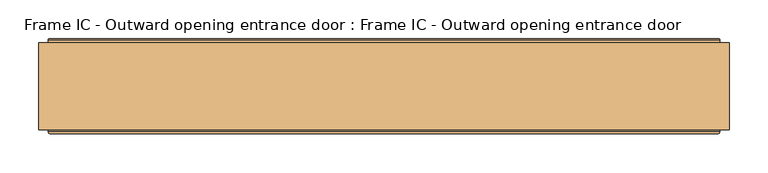
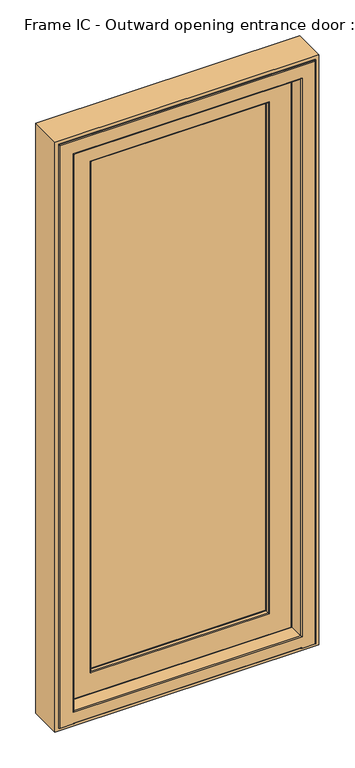
"""IFC4 building model written with IfcOpenShell, lengths in millimetres: door geometry, Frame IC - Outward opening entrance door : Frame IC - Outward opening entrance door."""

from ifc_helpers import new_model, si_unit, frame, origin, place, context, project, spatial, polyline, circle_curve, ellipse_curve, outline, extrude, source, transform, mapped, element, save
from ifc_brep_helpers import plane_surface, cylinder_surface, revolved_surface, advanced_brep


def frame_ic_outward_opening_entrance_door_frame_ic_outward_e52feb58(model_context):
    return source(origin(), model_context, "Body", "SolidModel", [
        advanced_brep(
        [(396.5, 188.6168436, 2052.5), (396.5, 185.5999985, 2052.5), (396.5, 185.5999985, 41.5), (396.5, 188.6168436, 41.5), (398.4927627, 193.0, 2054.4927627), (401.0144747, 190.478288, 2057.0144747), (401.0144747, 190.478288, 36.9855253), (398.4927627, 193.0, 39.5072373), (299.8249234, 191.5847434, 1955.8249234), (301.7375329, 193.0, 1957.7375329), (301.7375329, 193.0, 136.2624671), (299.8249234, 191.5847434, 138.1750766), (296.9926597, 182.3208261, 1952.9926597), (296.9926597, 182.3208261, 141.0073403), (296.9926597, 181.0, 1952.9926597), (296.9926597, 181.0, 141.0073403), (315.3670018, 133.0, 1971.3670018), (321.2606608, 181.0, 1977.2606608), (321.2606608, 181.0, 116.7393392), (315.3670018, 133.0, 122.6329982), (297.0, 130.0, 1953.0), (297.0, 133.0, 1953.0), (297.0, 133.0, 141.0), (297.0, 130.0, 141.0), (297.0218525, 128.7920883, 1953.0218525), (298.0000001, 130.0, 1954.0000001), (298.0000001, 130.0, 139.9999999), (297.0218525, 128.7920883, 140.9781475), (298.8106909, 120.376265, 1954.8106909), (298.8106909, 120.376265, 139.1893091), (301.7451337, 118.0, 1957.7451337), (301.7451337, 118.0, 136.2548663), (377.5618051, 119.7562613, 2033.5618051), (375.5767128, 118.0, 2031.5767128), (375.5767128, 118.0, 62.4232872), (377.5618051, 119.7562613, 60.4381949), (379.5562854, 136.0, 2035.5562854), (379.5562854, 136.0, 58.4437146), (391.0, 185.5999985, 2047.0), (391.0, 136.0, 2047.0), (391.0, 136.0, 47.0), (391.0, 185.5999985, 47.0), (-396.5, 185.5999985, 41.5), (-396.5, 188.6168436, 41.5), (-401.0144747, 190.478288, 36.9855253), (-398.4927627, 193.0, 39.5072373), (-301.7375329, 193.0, 136.2624671), (-299.8249234, 191.5847434, 138.1750766), (-296.9926597, 182.3208261, 141.0073403), (-296.9926597, 181.0, 141.0073403), (-321.2606608, 181.0, 116.7393392), (-315.3670018, 133.0, 122.6329982), (-297.0, 133.0, 141.0), (-297.0, 130.0, 141.0), (-298.0000001, 130.0, 139.9999999), (-297.0218525, 128.7920883, 140.9781475), (-298.8106909, 120.376265, 139.1893091), (-301.7451337, 118.0, 136.2548663), (-375.5767128, 118.0, 62.4232872), (-377.5618051, 119.7562613, 60.4381949), (-379.5562854, 136.0, 58.4437146), (-391.0, 136.0, 47.0), (-391.0, 185.5999985, 47.0), (-396.5, 185.5999985, 2052.5), (-396.5, 188.6168436, 2052.5), (-401.0144747, 190.478288, 2057.0144747), (-398.4927627, 193.0, 2054.4927627), (-301.7375329, 193.0, 1957.7375329), (-299.8249234, 191.5847434, 1955.8249234), (-296.9926597, 182.3208261, 1952.9926597), (-296.9926597, 181.0, 1952.9926597), (-321.2606608, 181.0, 1977.2606608), (-315.3670018, 133.0, 1971.3670018), (-297.0, 133.0, 1953.0), (-297.0, 130.0, 1953.0), (-298.0000001, 130.0, 1954.0000001), (-297.0218525, 128.7920883, 1953.0218525), (-298.8106909, 120.376265, 1954.8106909), (-301.7451337, 118.0, 1957.7451337), (-375.5767128, 118.0, 2031.5767128), (-377.5618051, 119.7562613, 2033.5618051), (-379.5562854, 136.0, 2035.5562854), (-391.0, 136.0, 2047.0), (-391.0, 185.5999985, 2047.0), (406.1997151, 189.6865589, 31.8002849), (-406.1997151, 189.6865589, 31.8002849), (-406.1997151, 189.6865589, 2062.1997151), (406.1997151, 189.6865589, 2062.1997151), (401.0144747, 189.6865589, 2057.0144747), (-401.0144747, 189.6865589, 2057.0144747), (-401.0144747, 189.6865589, 36.9855253), (401.0144747, 189.6865589, 36.9855253), (307.0358984, 193.0, 130.9641016), (-307.0358984, 193.0, 130.9641016), (-307.0358984, 193.0, 1963.0358984), (307.0358984, 193.0, 1963.0358984), (406.1997151, 188.6168436, 2062.1997151), (406.1997151, 188.6168436, 31.8002849), (-406.1997151, 188.6168436, 31.8002849), (-406.1997151, 188.6168436, 2062.1997151), (312.6650635, 192.25, 1968.6650635), (313.9641016, 193.0, 1969.9641016), (313.9641016, 193.0, 124.0358984), (312.6650635, 192.25, 125.3349365), (308.3349365, 192.25, 1964.3349365), (308.3349365, 192.25, 129.6650635), (-313.9641016, 193.0, 124.0358984), (-312.6650635, 192.25, 125.3349365), (-308.3349365, 192.25, 129.6650635), (-313.9641016, 193.0, 1969.9641016), (-312.6650635, 192.25, 1968.6650635), (-308.3349365, 192.25, 1964.3349365)],
        [
            (0, 1),
            (1, 2),
            (2, 3),
            (3, 0),
            (4, 5, ellipse_curve(frame((398.4927627, 190.478288, 2054.4927627), z_axis=(0.7071067811865475, 0.0, -0.7071067811865475), x_axis=(0.7071067811865474, 0.0, 0.7071067811865476)), 3.5662393, 2.521712)),
            (5, 6),
            (6, 7, ellipse_curve(frame((398.4927627, 190.478288, 39.5072373), z_axis=(0.7071067811865475, 0.0, 0.7071067811865475), x_axis=(-0.7071067811865474, 0.0, 0.7071067811865476)), 3.5662393, 2.521712)),
            (7, 4),
            (8, 9, ellipse_curve(frame((301.7375329, 191.0, 1957.7375329), z_axis=(0.7071067811865475, 0.0, -0.7071067811865475), x_axis=(0.7071067811865474, 0.0, 0.7071067811865476)), 2.8284271, 2.0)),
            (9, 10),
            (10, 11, ellipse_curve(frame((301.7375329, 191.0, 136.2624671), z_axis=(0.7071067811865475, 0.0, 0.7071067811865475), x_axis=(-0.7071067811865474, 0.0, 0.7071067811865476)), 2.8284271, 2.0)),
            (11, 8),
            (12, 8),
            (11, 13),
            (13, 12),
            (14, 12),
            (13, 15),
            (15, 14),
            (16, 17),
            (17, 18),
            (18, 19),
            (19, 16),
            (20, 21),
            (21, 22),
            (22, 23),
            (23, 20),
            (24, 25, ellipse_curve(frame((298.0000001, 129.0, 1954.0000001), z_axis=(0.7071067811865475, 0.0, -0.7071067811865475), x_axis=(0.7071067811865474, 0.0, 0.7071067811865476)), 1.4142136, 1.0)),
            (25, 26),
            (26, 27, ellipse_curve(frame((298.0000001, 129.0, 139.9999999), z_axis=(0.7071067811865475, 0.0, 0.7071067811865475), x_axis=(-0.7071067811865474, 0.0, 0.7071067811865476)), 1.4142136, 1.0)),
            (27, 24),
            (28, 24),
            (27, 29),
            (29, 28),
            (30, 28, ellipse_curve(frame((301.7451337, 121.0, 1957.7451337), z_axis=(0.7071067811865475, 0.0, -0.7071067811865475), x_axis=(0.7071067811865474, 0.0, 0.7071067811865476)), 4.2426407, 3.0)),
            (29, 31, ellipse_curve(frame((301.7451337, 121.0, 136.2548663), z_axis=(0.7071067811865475, 0.0, 0.7071067811865475), x_axis=(-0.7071067811865474, 0.0, 0.7071067811865476)), 4.2426407, 3.0)),
            (31, 30),
            (32, 33, ellipse_curve(frame((375.5767128, 120.0, 2031.5767128), z_axis=(0.7071067811865475, 0.0, -0.7071067811865475), x_axis=(0.7071067811865474, 0.0, 0.7071067811865476)), 2.8284271, 2.0)),
            (33, 34),
            (34, 35, ellipse_curve(frame((375.5767128, 120.0, 62.4232872), z_axis=(0.7071067811865475, 0.0, 0.7071067811865475), x_axis=(-0.7071067811865474, 0.0, 0.7071067811865476)), 2.8284271, 2.0)),
            (35, 32),
            (36, 32),
            (35, 37),
            (37, 36),
            (38, 39),
            (39, 40),
            (40, 41),
            (41, 38),
            (2, 42),
            (42, 43),
            (43, 3),
            (6, 44),
            (44, 45, ellipse_curve(frame((-398.4927627, 190.478288, 39.5072373), z_axis=(0.7071067811865475, 0.0, -0.7071067811865475), x_axis=(0.7071067811865476, 0.0, 0.7071067811865474)), 3.5662393, 2.521712)),
            (45, 7),
            (10, 46),
            (46, 47, ellipse_curve(frame((-301.7375329, 191.0, 136.2624671), z_axis=(0.7071067811865475, 0.0, -0.7071067811865475), x_axis=(0.7071067811865476, 0.0, 0.7071067811865474)), 2.8284271, 2.0)),
            (47, 11),
            (47, 48),
            (48, 13),
            (48, 49),
            (49, 15),
            (18, 50),
            (50, 51),
            (51, 19),
            (22, 52),
            (52, 53),
            (53, 23),
            (26, 54),
            (54, 55, ellipse_curve(frame((-298.0000001, 129.0, 139.9999999), z_axis=(0.7071067811865475, 0.0, -0.7071067811865475), x_axis=(0.7071067811865476, 0.0, 0.7071067811865474)), 1.4142136, 1.0)),
            (55, 27),
            (55, 56),
            (56, 29),
            (56, 57, ellipse_curve(frame((-301.7451337, 121.0, 136.2548663), z_axis=(0.7071067811865475, 0.0, -0.7071067811865475), x_axis=(0.7071067811865476, 0.0, 0.7071067811865474)), 4.2426407, 3.0)),
            (57, 31),
            (34, 58),
            (58, 59, ellipse_curve(frame((-375.5767128, 120.0, 62.4232872), z_axis=(0.7071067811865475, 0.0, -0.7071067811865475), x_axis=(0.7071067811865476, 0.0, 0.7071067811865474)), 2.8284271, 2.0)),
            (59, 35),
            (59, 60),
            (60, 37),
            (40, 61),
            (61, 62),
            (62, 41),
            (42, 63),
            (63, 64),
            (64, 43),
            (44, 65),
            (65, 66, ellipse_curve(frame((-398.4927627, 190.478288, 2054.4927627), z_axis=(-0.7071067811865475, 0.0, -0.7071067811865475), x_axis=(0.7071067811865474, 0.0, -0.7071067811865476)), 3.5662393, 2.521712)),
            (66, 45),
            (46, 67),
            (67, 68, ellipse_curve(frame((-301.7375329, 191.0, 1957.7375329), z_axis=(-0.7071067811865475, 0.0, -0.7071067811865475), x_axis=(0.7071067811865474, 0.0, -0.7071067811865476)), 2.8284271, 2.0)),
            (68, 47),
            (68, 69),
            (69, 48),
            (69, 70),
            (70, 49),
            (50, 71),
            (71, 72),
            (72, 51),
            (52, 73),
            (73, 74),
            (74, 53),
            (54, 75),
            (75, 76, ellipse_curve(frame((-298.0000001, 129.0, 1954.0000001), z_axis=(-0.7071067811865475, 0.0, -0.7071067811865475), x_axis=(0.7071067811865474, 0.0, -0.7071067811865476)), 1.4142136, 1.0)),
            (76, 55),
            (76, 77),
            (77, 56),
            (77, 78, ellipse_curve(frame((-301.7451337, 121.0, 1957.7451337), z_axis=(-0.7071067811865475, 0.0, -0.7071067811865475), x_axis=(0.7071067811865474, 0.0, -0.7071067811865476)), 4.2426407, 3.0)),
            (78, 57),
            (58, 79),
            (79, 80, ellipse_curve(frame((-375.5767128, 120.0, 2031.5767128), z_axis=(-0.7071067811865475, 0.0, -0.7071067811865475), x_axis=(0.7071067811865474, 0.0, -0.7071067811865476)), 2.8284271, 2.0)),
            (80, 59),
            (80, 81),
            (81, 60),
            (61, 82),
            (82, 83),
            (83, 62),
            (1, 63),
            (83, 38),
            (0, 64),
            (84, 85),
            (85, 86),
            (86, 87),
            (87, 84),
            (88, 89),
            (89, 90),
            (90, 91),
            (91, 88),
            (65, 5),
            (4, 66),
            (92, 93),
            (93, 94),
            (94, 95),
            (95, 92),
            (9, 67),
            (8, 68),
            (12, 69),
            (14, 70),
            (17, 71),
            (16, 72),
            (21, 73),
            (20, 74),
            (25, 75),
            (24, 76),
            (28, 77),
            (30, 78),
            (33, 79),
            (32, 80),
            (36, 81),
            (39, 82),
            (87, 96),
            (96, 97),
            (97, 84),
            (5, 88),
            (91, 6),
            (97, 98),
            (98, 85),
            (90, 44),
            (98, 99),
            (99, 86),
            (89, 65),
            (96, 99),
            (100, 101, ellipse_curve(frame((313.9641016, 191.5, 1969.9641016), z_axis=(0.7071067811865475, 0.0, -0.7071067811865475), x_axis=(0.7071067811865474, 0.0, 0.7071067811865476)), 2.1213203, 1.5)),
            (101, 102),
            (102, 103, ellipse_curve(frame((313.9641016, 191.5, 124.0358984), z_axis=(0.7071067811865475, 0.0, 0.7071067811865475), x_axis=(-0.7071067811865474, 0.0, 0.7071067811865476)), 2.1213203, 1.5)),
            (103, 100),
            (104, 100, ellipse_curve(frame((310.5, 193.5, 1966.5), z_axis=(-0.7071067811865475, 0.0, 0.7071067811865475), x_axis=(-0.7071067811865474, 0.0, -0.7071067811865476)), 3.5355339, 2.5)),
            (103, 105, ellipse_curve(frame((310.5, 193.5, 127.5), z_axis=(-0.7071067811865475, 0.0, -0.7071067811865475), x_axis=(0.7071067811865474, 0.0, -0.7071067811865476)), 3.5355339, 2.5)),
            (105, 104),
            (95, 104, ellipse_curve(frame((307.0358984, 191.5, 1963.0358984), z_axis=(0.7071067811865475, 0.0, -0.7071067811865475), x_axis=(0.7071067811865474, 0.0, 0.7071067811865476)), 2.1213203, 1.5)),
            (105, 92, ellipse_curve(frame((307.0358984, 191.5, 130.9641016), z_axis=(0.7071067811865475, 0.0, 0.7071067811865475), x_axis=(-0.7071067811865474, 0.0, 0.7071067811865476)), 2.1213203, 1.5)),
            (102, 106),
            (106, 107, ellipse_curve(frame((-313.9641016, 191.5, 124.0358984), z_axis=(0.7071067811865475, 0.0, -0.7071067811865475), x_axis=(0.7071067811865476, 0.0, 0.7071067811865474)), 2.1213203, 1.5)),
            (107, 103),
            (107, 108, ellipse_curve(frame((-310.5, 193.5, 127.5), z_axis=(-0.7071067811865475, 0.0, 0.7071067811865475), x_axis=(-0.7071067811865476, 0.0, -0.7071067811865474)), 3.5355339, 2.5)),
            (108, 105),
            (108, 93, ellipse_curve(frame((-307.0358984, 191.5, 130.9641016), z_axis=(0.7071067811865475, 0.0, -0.7071067811865475), x_axis=(0.7071067811865476, 0.0, 0.7071067811865474)), 2.1213203, 1.5)),
            (106, 109),
            (109, 110, ellipse_curve(frame((-313.9641016, 191.5, 1969.9641016), z_axis=(-0.7071067811865475, 0.0, -0.7071067811865475), x_axis=(0.7071067811865474, 0.0, -0.7071067811865476)), 2.1213203, 1.5)),
            (110, 107),
            (110, 111, ellipse_curve(frame((-310.5, 193.5, 1966.5), z_axis=(0.7071067811865475, 0.0, 0.7071067811865475), x_axis=(-0.7071067811865474, 0.0, 0.7071067811865476)), 3.5355339, 2.5)),
            (111, 108),
            (111, 94, ellipse_curve(frame((-307.0358984, 191.5, 1963.0358984), z_axis=(-0.7071067811865475, 0.0, -0.7071067811865475), x_axis=(0.7071067811865474, 0.0, -0.7071067811865476)), 2.1213203, 1.5)),
            (101, 109),
            (100, 110),
            (104, 111),
        ],
        [
            plane_surface(frame((396.5, 185.5999985, 2052.5), z_axis=(1.0, 0.0, 0.0), x_axis=(0.0, 0.0, -1.0))),
            cylinder_surface(frame((398.4927627, 190.478288, 2047.0), z_axis=(0.0, 0.0, 1.0), x_axis=(0.0, -1.0, 0.0)), 2.521712),
            cylinder_surface(frame((301.7375329, 191.0, 2047.0), z_axis=(0.0, 0.0, 1.0), x_axis=(0.0, -1.0, 0.0)), 2.0),
            plane_surface(frame((299.8249234, 191.5847434, 1955.8249234), z_axis=(-0.9563047559629807, 0.2923717047229163, 0.0), x_axis=(0.0, 0.0, -1.0))),
            plane_surface(frame((296.9926597, 182.3208261, 1952.9926597), z_axis=(-1.0, 0.0, 0.0), x_axis=(0.0, 0.0, -1.0))),
            plane_surface(frame((321.2606608, 181.0, 1977.2606608), z_axis=(-0.9925461516413233, 0.12186934340513725, 0.0), x_axis=(0.0, 0.0, -1.0))),
            plane_surface(frame((297.0, 133.0, 1953.0), z_axis=(-1.0, 0.0, 0.0), x_axis=(0.0, 0.0, -1.0))),
            cylinder_surface(frame((298.0000001, 129.0, 2047.0), z_axis=(0.0, 0.0, 1.0), x_axis=(0.0, -1.0, 0.0)), 1.0),
            plane_surface(frame((297.0218525, 128.7920883, 1953.0218525), z_axis=(-0.9781476042228707, -0.2079116744029983, 0.0), x_axis=(0.0, 0.0, -1.0))),
            cylinder_surface(frame((301.7451337, 121.0, 2047.0), z_axis=(0.0, 0.0, 1.0), x_axis=(0.0, -1.0, 0.0)), 3.0),
            cylinder_surface(frame((375.5767128, 120.0, 2047.0), z_axis=(0.0, 0.0, 1.0), x_axis=(0.0, -1.0, 0.0)), 2.0),
            plane_surface(frame((377.5618051, 119.7562613, 2033.5618051), z_axis=(0.9925461516416141, -0.12186934340276924, 0.0), x_axis=(0.0, 0.0, -1.0))),
            plane_surface(frame((391.0, 136.0, 2047.0), z_axis=(1.0, 0.0, 0.0), x_axis=(0.0, 0.0, -1.0))),
            plane_surface(frame((396.5, 185.5999985, 41.5), z_axis=(0.0, 0.0, -1.0), x_axis=(-1.0, 0.0, 0.0))),
            cylinder_surface(frame((391.0, 190.478288, 39.5072373), z_axis=(1.0, 0.0, 0.0), x_axis=(0.0, -1.0, 0.0)), 2.521712),
            cylinder_surface(frame((391.0, 191.0, 136.2624671), z_axis=(1.0, 0.0, 0.0), x_axis=(0.0, -1.0, 0.0)), 2.0),
            plane_surface(frame((299.8249234, 191.5847434, 138.1750766), z_axis=(0.0, 0.2923717047229163, 0.9563047559629807), x_axis=(-1.0, 0.0, 0.0))),
            plane_surface(frame((296.9926597, 182.3208261, 141.0073403), z_axis=(0.0, 0.0, 1.0), x_axis=(-1.0, 0.0, 0.0))),
            plane_surface(frame((321.2606608, 181.0, 116.7393392), z_axis=(0.0, 0.12186934340513725, 0.9925461516413233), x_axis=(-1.0, 0.0, 0.0))),
            plane_surface(frame((297.0, 133.0, 141.0), z_axis=(0.0, 0.0, 1.0), x_axis=(-1.0, 0.0, 0.0))),
            cylinder_surface(frame((391.0, 129.0, 139.9999999), z_axis=(1.0, 0.0, 0.0), x_axis=(0.0, -1.0, 0.0)), 1.0),
            plane_surface(frame((297.0218525, 128.7920883, 140.9781475), z_axis=(0.0, -0.2079116744029983, 0.9781476042228707), x_axis=(-1.0, 0.0, 0.0))),
            cylinder_surface(frame((391.0, 121.0, 136.2548663), z_axis=(1.0, 0.0, 0.0), x_axis=(0.0, -1.0, 0.0)), 3.0),
            cylinder_surface(frame((391.0, 120.0, 62.4232872), z_axis=(1.0, 0.0, 0.0), x_axis=(0.0, -1.0, 0.0)), 2.0),
            plane_surface(frame((377.5618051, 119.7562613, 60.4381949), z_axis=(0.0, -0.12186934340276924, -0.9925461516416141), x_axis=(-1.0, 0.0, 0.0))),
            plane_surface(frame((391.0, 136.0, 47.0), z_axis=(0.0, 0.0, -1.0), x_axis=(-1.0, 0.0, 0.0))),
            plane_surface(frame((-396.5, 185.5999985, 41.5), z_axis=(-1.0, 0.0, 0.0), x_axis=(0.0, 0.0, 1.0))),
            cylinder_surface(frame((-398.4927627, 190.478288, 47.0), z_axis=(0.0, 0.0, -1.0), x_axis=(0.0, -1.0, 0.0)), 2.521712),
            cylinder_surface(frame((-301.7375329, 191.0, 47.0), z_axis=(0.0, 0.0, -1.0), x_axis=(0.0, -1.0, 0.0)), 2.0),
            plane_surface(frame((-299.8249234, 191.5847434, 138.1750766), z_axis=(0.9563047559629807, 0.2923717047229163, 0.0), x_axis=(0.0, 0.0, 1.0))),
            plane_surface(frame((-296.9926597, 182.3208261, 141.0073403), z_axis=(1.0, 0.0, 0.0), x_axis=(0.0, 0.0, 1.0))),
            plane_surface(frame((-321.2606608, 181.0, 116.7393392), z_axis=(0.9925461516413233, 0.12186934340513725, 0.0), x_axis=(0.0, 0.0, 1.0))),
            plane_surface(frame((-297.0, 133.0, 141.0), z_axis=(1.0, 0.0, 0.0), x_axis=(0.0, 0.0, 1.0))),
            cylinder_surface(frame((-298.0000001, 129.0, 47.0), z_axis=(0.0, 0.0, -1.0), x_axis=(0.0, -1.0, 0.0)), 1.0),
            plane_surface(frame((-297.0218525, 128.7920883, 140.9781475), z_axis=(0.9781476042228707, -0.2079116744029983, 0.0), x_axis=(0.0, 0.0, 1.0))),
            cylinder_surface(frame((-301.7451337, 121.0, 47.0), z_axis=(0.0, 0.0, -1.0), x_axis=(0.0, -1.0, 0.0)), 3.0),
            cylinder_surface(frame((-375.5767128, 120.0, 47.0), z_axis=(0.0, 0.0, -1.0), x_axis=(0.0, -1.0, 0.0)), 2.0),
            plane_surface(frame((-377.5618051, 119.7562613, 60.4381949), z_axis=(-0.9925461516416141, -0.12186934340276924, 0.0), x_axis=(0.0, 0.0, 1.0))),
            plane_surface(frame((-391.0, 136.0, 47.0), z_axis=(-1.0, 0.0, 0.0), x_axis=(0.0, 0.0, 1.0))),
            plane_surface(frame((-391.0, 185.5999985, 2047.0), z_axis=(0.0, -1.0, 0.0), x_axis=(1.0, 0.0, 0.0))),
            plane_surface(frame((-396.5, 185.5999985, 2052.5), z_axis=(0.0, 0.0, 1.0), x_axis=(1.0, 0.0, 0.0))),
            plane_surface(frame((-406.1997151, 189.6865589, 2062.1997151), z_axis=(0.0, 1.0, 0.0), x_axis=(1.0, 0.0, 0.0))),
            cylinder_surface(frame((-391.0, 190.478288, 2054.4927627), z_axis=(-1.0, 0.0, 0.0), x_axis=(0.0, -1.0, 0.0)), 2.521712),
            plane_surface(frame((-307.0358984, 193.0, 1963.0358984), z_axis=(0.0, 1.0, 0.0), x_axis=(1.0, 0.0, 0.0))),
            cylinder_surface(frame((-391.0, 191.0, 1957.7375329), z_axis=(-1.0, 0.0, 0.0), x_axis=(0.0, -1.0, 0.0)), 2.0),
            plane_surface(frame((-299.8249234, 191.5847434, 1955.8249234), z_axis=(0.0, 0.2923717047229163, -0.9563047559629807), x_axis=(1.0, 0.0, 0.0))),
            plane_surface(frame((-296.9926597, 182.3208261, 1952.9926597), z_axis=(0.0, 0.0, -1.0), x_axis=(1.0, 0.0, 0.0))),
            plane_surface(frame((-296.9926597, 181.0, 1952.9926597), z_axis=(0.0, -1.0, 0.0), x_axis=(1.0, 0.0, 0.0))),
            plane_surface(frame((-321.2606608, 181.0, 1977.2606608), z_axis=(0.0, 0.12186934340513725, -0.9925461516413233), x_axis=(1.0, 0.0, 0.0))),
            plane_surface(frame((-315.3670018, 133.0, 1971.3670018), z_axis=(0.0, 1.0, 0.0), x_axis=(1.0, 0.0, 0.0))),
            plane_surface(frame((-297.0, 133.0, 1953.0), z_axis=(0.0, 0.0, -1.0), x_axis=(1.0, 0.0, 0.0))),
            plane_surface(frame((-297.0, 130.0, 1953.0), z_axis=(0.0, -1.0, 0.0), x_axis=(1.0, 0.0, 0.0))),
            cylinder_surface(frame((-391.0, 129.0, 1954.0000001), z_axis=(-1.0, 0.0, 0.0), x_axis=(0.0, -1.0, 0.0)), 1.0),
            plane_surface(frame((-297.0218525, 128.7920883, 1953.0218525), z_axis=(0.0, -0.2079116744029983, -0.9781476042228707), x_axis=(1.0, 0.0, 0.0))),
            cylinder_surface(frame((-391.0, 121.0, 1957.7451337), z_axis=(-1.0, 0.0, 0.0), x_axis=(0.0, -1.0, 0.0)), 3.0),
            plane_surface(frame((-301.7451337, 118.0, 1957.7451337), z_axis=(0.0, -1.0, 0.0), x_axis=(1.0, 0.0, 0.0))),
            cylinder_surface(frame((-391.0, 120.0, 2031.5767128), z_axis=(-1.0, 0.0, 0.0), x_axis=(0.0, -1.0, 0.0)), 2.0),
            plane_surface(frame((-377.5618051, 119.7562613, 2033.5618051), z_axis=(0.0, -0.12186934340276924, 0.9925461516416141), x_axis=(1.0, 0.0, 0.0))),
            plane_surface(frame((-379.5562854, 136.0, 2035.5562854), z_axis=(0.0, -1.0, 0.0), x_axis=(1.0, 0.0, 0.0))),
            plane_surface(frame((-391.0, 136.0, 2047.0), z_axis=(0.0, 0.0, 1.0), x_axis=(1.0, 0.0, 0.0))),
            plane_surface(frame((406.1997151, 188.6168436, 2062.1997151), z_axis=(1.0, 0.0, 0.0), x_axis=(0.0, 0.0, -1.0))),
            plane_surface(frame((401.0144747, 189.6865589, 2057.0144747), z_axis=(1.0, 0.0, 0.0), x_axis=(0.0, 0.0, -1.0))),
            plane_surface(frame((406.1997151, 188.6168436, 31.8002849), z_axis=(0.0, 0.0, -1.0), x_axis=(-1.0, 0.0, 0.0))),
            plane_surface(frame((401.0144747, 189.6865589, 36.9855253), z_axis=(0.0, 0.0, -1.0), x_axis=(-1.0, 0.0, 0.0))),
            plane_surface(frame((-406.1997151, 188.6168436, 31.8002849), z_axis=(-1.0, 0.0, 0.0), x_axis=(0.0, 0.0, 1.0))),
            plane_surface(frame((-401.0144747, 189.6865589, 36.9855253), z_axis=(-1.0, 0.0, 0.0), x_axis=(0.0, 0.0, 1.0))),
            plane_surface(frame((-396.5, 188.6168436, 2052.5), z_axis=(0.0, -1.0, 0.0), x_axis=(1.0, 0.0, 0.0))),
            plane_surface(frame((-406.1997151, 188.6168436, 2062.1997151), z_axis=(0.0, 0.0, 1.0), x_axis=(1.0, 0.0, 0.0))),
            plane_surface(frame((-401.0144747, 189.6865589, 2057.0144747), z_axis=(0.0, 0.0, 1.0), x_axis=(1.0, 0.0, 0.0))),
            cylinder_surface(frame((313.9641016, 191.5, 2047.0), z_axis=(0.0, 0.0, 1.0), x_axis=(0.0, -1.0, 0.0)), 1.5),
            revolved_surface(polyline([(310.5, 191.0, 125.00000000419504), (310.5, 191.0, 1968.999999995805)]), (310.5, 193.5, 2047.0), (0.0, 0.0, -1.0)),
            cylinder_surface(frame((307.0358984, 191.5, 2047.0), z_axis=(0.0, 0.0, 1.0), x_axis=(0.0, -1.0, 0.0)), 1.5),
            cylinder_surface(frame((391.0, 191.5, 124.0358984), z_axis=(1.0, 0.0, 0.0), x_axis=(0.0, -1.0, 0.0)), 1.5),
            revolved_surface(polyline([(-312.99999999580496, 191.0, 127.5), (312.99999999580496, 191.0, 127.5)]), (391.0, 193.5, 127.5), (-1.0, 0.0, 0.0)),
            cylinder_surface(frame((391.0, 191.5, 130.9641016), z_axis=(1.0, 0.0, 0.0), x_axis=(0.0, -1.0, 0.0)), 1.5),
            cylinder_surface(frame((-313.9641016, 191.5, 47.0), z_axis=(0.0, 0.0, -1.0), x_axis=(0.0, -1.0, 0.0)), 1.5),
            revolved_surface(polyline([(-310.5, 191.0, 1968.999999995805), (-310.5, 191.0, 125.00000000419507)]), (-310.5, 193.5, 47.0), (0.0, 0.0, 1.0)),
            cylinder_surface(frame((-307.0358984, 191.5, 47.0), z_axis=(0.0, 0.0, -1.0), x_axis=(0.0, -1.0, 0.0)), 1.5),
            plane_surface(frame((-398.4927627, 193.0, 2054.4927627), z_axis=(0.0, 1.0, 0.0), x_axis=(1.0, 0.0, 0.0))),
            cylinder_surface(frame((-391.0, 191.5, 1969.9641016), z_axis=(-1.0, 0.0, 0.0), x_axis=(0.0, -1.0, 0.0)), 1.5),
            revolved_surface(polyline([(312.99999999580496, 191.0, 1966.5), (-312.99999999580496, 191.0, 1966.5)]), (-391.0, 193.5, 1966.5), (1.0, 0.0, 0.0)),
            cylinder_surface(frame((-391.0, 191.5, 1963.0358984), z_axis=(-1.0, 0.0, 0.0), x_axis=(0.0, -1.0, 0.0)), 1.5),
        ],
        [
            (0, [[1, 2, 3, 4]]),
            (1, [[5, 6, 7, 8]]),
            (2, [[9, 10, 11, 12]]),
            (3, [[13, -12, 14, 15]]),
            (4, [[16, -15, 17, 18]]),
            (5, [[19, 20, 21, 22]]),
            (6, [[23, 24, 25, 26]]),
            (7, [[27, 28, 29, 30]]),
            (8, [[31, -30, 32, 33]]),
            (9, [[34, -33, 35, 36]]),
            (10, [[37, 38, 39, 40]]),
            (11, [[41, -40, 42, 43]]),
            (12, [[44, 45, 46, 47]]),
            (13, [[-3, 48, 49, 50]]),
            (14, [[-7, 51, 52, 53]]),
            (15, [[-11, 54, 55, 56]]),
            (16, [[-14, -56, 57, 58]]),
            (17, [[-17, -58, 59, 60]]),
            (18, [[-21, 61, 62, 63]]),
            (19, [[-25, 64, 65, 66]]),
            (20, [[-29, 67, 68, 69]]),
            (21, [[-32, -69, 70, 71]]),
            (22, [[-35, -71, 72, 73]]),
            (23, [[-39, 74, 75, 76]]),
            (24, [[-42, -76, 77, 78]]),
            (25, [[-46, 79, 80, 81]]),
            (26, [[-49, 82, 83, 84]]),
            (27, [[-52, 85, 86, 87]]),
            (28, [[-55, 88, 89, 90]]),
            (29, [[-57, -90, 91, 92]]),
            (30, [[-59, -92, 93, 94]]),
            (31, [[-62, 95, 96, 97]]),
            (32, [[-65, 98, 99, 100]]),
            (33, [[-68, 101, 102, 103]]),
            (34, [[-70, -103, 104, 105]]),
            (35, [[-72, -105, 106, 107]]),
            (36, [[-75, 108, 109, 110]]),
            (37, [[-77, -110, 111, 112]]),
            (38, [[-80, 113, 114, 115]]),
            (39, [[116, -82, -48, -2], [-81, -115, 117, -47]]),
            (40, [[-83, -116, -1, 118]]),
            (41, [[119, 120, 121, 122], [123, 124, 125, 126]]),
            (42, [[-86, 127, -5, 128]]),
            (43, [[129, 130, 131, 132], [133, -88, -54, -10]]),
            (44, [[-89, -133, -9, 134]]),
            (45, [[-91, -134, -13, 135]]),
            (46, [[-93, -135, -16, 136]]),
            (47, [[137, -95, -61, -20], [-60, -94, -136, -18]]),
            (48, [[-96, -137, -19, 138]]),
            (49, [[-63, -97, -138, -22], [139, -98, -64, -24]]),
            (50, [[-99, -139, -23, 140]]),
            (51, [[141, -101, -67, -28], [-66, -100, -140, -26]]),
            (52, [[-102, -141, -27, 142]]),
            (53, [[-104, -142, -31, 143]]),
            (54, [[-106, -143, -34, 144]]),
            (55, [[145, -108, -74, -38], [-73, -107, -144, -36]]),
            (56, [[-109, -145, -37, 146]]),
            (57, [[-111, -146, -41, 147]]),
            (58, [[148, -113, -79, -45], [-78, -112, -147, -43]]),
            (59, [[-114, -148, -44, -117]]),
            (60, [[149, 150, 151, -122]]),
            (61, [[152, -126, 153, -6]]),
            (62, [[-151, 154, 155, -119]]),
            (63, [[-153, -125, 156, -51]]),
            (64, [[-155, 157, 158, -120]]),
            (65, [[-156, -124, 159, -85]]),
            (66, [[160, -157, -154, -150], [-50, -84, -118, -4]]),
            (67, [[-158, -160, -149, -121]]),
            (68, [[-159, -123, -152, -127]]),
            (69, [[161, 162, 163, 164]]),
            (70, [[165, -164, 166, 167]]),
            (71, [[168, -167, 169, -132]]),
            (72, [[-163, 170, 171, 172]]),
            (73, [[-166, -172, 173, 174]]),
            (74, [[-169, -174, 175, -129]]),
            (75, [[-171, 176, 177, 178]]),
            (76, [[-173, -178, 179, 180]]),
            (77, [[-175, -180, 181, -130]]),
            (78, [[-53, -87, -128, -8], [182, -176, -170, -162]]),
            (79, [[-177, -182, -161, 183]]),
            (80, [[-179, -183, -165, 184]]),
            (81, [[-181, -184, -168, -131]]),
        ],
    ),
        extrude(outline(polyline([(306.1459285, 133.0110098), (-306.1459285, 133.0110098), (-306.1459285, 181.0110098), (306.1459285, 181.0110098), (306.1459285, 133.0110098)])), frame((0.0, 0.0, 131.8540715), z_axis=(0.0, 0.0, 1.0), x_axis=(1.0, 0.0, 0.0)), (0.0, 0.0, 1.0), 1830.291857),
        extrude(outline(polyline([(2100.0, -444.0), (0.0, -444.0), (0.0, 444.0), (2100.0, 444.0), (2100.0, -444.0)]), holes=[polyline([(2088.0, 432.0), (12.0, 432.0), (12.0, -432.0), (2088.0, -432.0), (2088.0, 432.0)])]), frame((0.0, 77.0, 0.0), z_axis=(0.0, 1.0, 0.0), x_axis=(0.0, 0.0, 1.0)), (0.0, 0.0, 1.0), 112.0),
        advanced_brep(
        [(406.7857488, 186.453125, 12.0), (407.6, 186.453125, 12.0), (407.6, 193.0, 12.0), (408.6, 194.0, 12.0), (431.0, 194.0, 12.0), (432.0, 193.0, 12.0), (432.0, 75.0, 12.0), (429.0, 72.0, 12.0), (385.0, 72.0, 12.0), (382.0, 75.0, 12.0), (-382.0, 75.0, 12.0), (-385.0, 72.0, 12.0), (-429.0, 72.0, 12.0), (-432.0, 75.0, 12.0), (-432.0, 193.0, 12.0), (-431.0, 194.0, 12.0), (-408.6, 194.0, 12.0), (-407.6, 193.0, 12.0), (-407.6, 186.453125, 12.0), (-406.7857488, 186.453125, 12.0), (-406.7857488, 191.0, 12.0), (406.7857488, 191.0, 12.0), (406.7857488, 186.453125, 31.1912124), (406.7857488, 186.453125, 2062.7857488), (-406.7857488, 186.453125, 2062.7857488), (-406.7857488, 186.453125, 31.1912124), (-407.6, 186.453125, 2063.6), (407.6, 186.453125, 2063.6), (407.6, 193.0, 2063.6), (408.6, 194.0, 2064.6), (-408.6, 194.0, 2064.6), (-431.0, 194.0, 2087.0), (431.0, 194.0, 2087.0), (432.0, 193.0, 2088.0), (432.0, 75.0, 2088.0), (429.0, 72.0, 2085.0), (-429.0, 72.0, 2085.0), (-385.0, 72.0, 15.0), (385.0, 72.0, 15.0), (385.0, 72.0, 2041.0), (385.0, 72.0, 53.0), (-385.0, 72.0, 53.0), (-385.0, 72.0, 2041.0), (382.0, 75.0, 2038.0), (382.0, 75.0, 56.0), (-382.0, 75.0, 2038.0), (-382.0, 75.0, 56.0), (-432.0, 75.0, 2088.0), (-432.0, 193.0, 2088.0), (-407.6, 193.0, 2063.6), (-406.7857488, 191.365608, 30.5880353), (-406.7857488, 194.0, 27.6103969), (-406.7857488, 194.0, 15.0), (406.7857488, 194.0, 15.0), (406.7857488, 194.0, 27.6103969), (406.7857488, 191.365608, 30.5880353), (-398.6498733, 131.0, 2054.6498733), (398.6498733, 131.0, 2054.6498733), (398.6498733, 131.0, 39.3270879), (-398.6498733, 131.0, 39.3270879), (383.5, 131.0, 2039.5), (-383.5, 131.0, 2039.5), (-383.5, 131.0, 54.5), (383.5, 131.0, 54.5), (382.0, 129.5, 2038.0), (382.0, 129.5, 56.0), (-382.0, 129.5, 56.0), (-382.0, 129.5, 2038.0), (400.1386925, 132.317196, 2056.1386925), (400.1386925, 132.317196, 37.8382687), (-400.1386925, 132.317196, 37.8382687), (-400.1386925, 132.317196, 2056.1386925)],
        [
            (0, 1),
            (1, 2),
            (2, 3, circle_curve(frame((408.6, 193.0, 12.0), z_axis=(0.0, 0.0, -1.0), x_axis=(-1.0, 0.0, 0.0)), 1.0)),
            (3, 4),
            (4, 5, circle_curve(frame((431.0, 193.0, 12.0), z_axis=(0.0, 0.0, -1.0), x_axis=(-1.0, 0.0, 0.0)), 1.0)),
            (5, 6),
            (6, 7, circle_curve(frame((429.0, 75.0, 12.0), z_axis=(0.0, 0.0, -1.0), x_axis=(-1.0, 0.0, 0.0)), 3.0)),
            (7, 8),
            (8, 9, circle_curve(frame((385.0, 75.0, 12.0), z_axis=(0.0, 0.0, -1.0), x_axis=(-1.0, 0.0, 0.0)), 3.0)),
            (9, 10),
            (10, 11, circle_curve(frame((-385.0, 75.0, 12.0), z_axis=(0.0, 0.0, -1.0), x_axis=(1.0, 0.0, 0.0)), 3.0)),
            (11, 12),
            (12, 13, circle_curve(frame((-429.0, 75.0, 12.0), z_axis=(0.0, 0.0, -1.0), x_axis=(1.0, 0.0, 0.0)), 3.0)),
            (13, 14),
            (14, 15, circle_curve(frame((-431.0, 193.0, 12.0), z_axis=(0.0, 0.0, -1.0), x_axis=(1.0, 0.0, 0.0)), 1.0)),
            (15, 16),
            (16, 17, circle_curve(frame((-408.6, 193.0, 12.0), z_axis=(0.0, 0.0, -1.0), x_axis=(1.0, 0.0, 0.0)), 1.0)),
            (17, 18),
            (18, 19),
            (19, 20),
            (20, 21),
            (21, 0),
            (0, 22),
            (22, 23),
            (23, 24),
            (24, 25),
            (25, 19),
            (18, 26),
            (26, 27),
            (27, 1),
            (27, 28),
            (28, 2),
            (28, 29, ellipse_curve(frame((408.6, 193.0, 2064.6), z_axis=(0.7071067811865475, 0.0, -0.7071067811865475), x_axis=(-0.7071067811865474, 0.0, -0.7071067811865476)), 1.4142136, 1.0)),
            (29, 3),
            (29, 30),
            (30, 16),
            (15, 31),
            (31, 32),
            (32, 4),
            (32, 33, ellipse_curve(frame((431.0, 193.0, 2087.0), z_axis=(0.7071067811865475, 0.0, -0.7071067811865475), x_axis=(-0.7071067811865474, 0.0, -0.7071067811865476)), 1.4142136, 1.0)),
            (33, 5),
            (33, 34),
            (34, 6),
            (34, 35, ellipse_curve(frame((429.0, 75.0, 2085.0), z_axis=(0.7071067811865475, 0.0, -0.7071067811865475), x_axis=(-0.7071067811865474, 0.0, -0.7071067811865476)), 4.2426407, 3.0)),
            (35, 7),
            (35, 36),
            (36, 12),
            (11, 37),
            (37, 38),
            (38, 8),
            (39, 40),
            (40, 41),
            (41, 42),
            (42, 39),
            (38, 9, ellipse_curve(frame((385.0, 75.0, 15.0), z_axis=(0.7071067811865475, 0.0, -0.7071067811865475), x_axis=(-0.7071067811865474, 0.0, -0.7071067811865476)), 4.2426407, 3.0)),
            (39, 43, ellipse_curve(frame((385.0, 75.0, 2041.0), z_axis=(0.7071067811865475, 0.0, -0.7071067811865475), x_axis=(-0.7071067811865474, 0.0, -0.7071067811865476)), 4.2426407, 3.0)),
            (43, 44),
            (44, 40, ellipse_curve(frame((385.0, 75.0, 53.0), z_axis=(0.7071067811865475, 0.0, 0.7071067811865475), x_axis=(0.7071067811865474, 0.0, -0.7071067811865476)), 4.2426407, 3.0)),
            (37, 10, ellipse_curve(frame((-385.0, 75.0, 15.0), z_axis=(0.7071067811865475, 0.0, 0.7071067811865475), x_axis=(-0.7071067811865476, 0.0, 0.7071067811865474)), 4.2426407, 3.0)),
            (45, 42, ellipse_curve(frame((-385.0, 75.0, 2041.0), z_axis=(-0.7071067811865475, 0.0, -0.7071067811865475), x_axis=(-0.7071067811865474, 0.0, 0.7071067811865476)), 4.2426407, 3.0)),
            (41, 46, ellipse_curve(frame((-385.0, 75.0, 53.0), z_axis=(-0.7071067811865475, 0.0, 0.7071067811865475), x_axis=(0.7071067811865474, 0.0, 0.7071067811865476)), 4.2426407, 3.0)),
            (46, 45),
            (36, 47, ellipse_curve(frame((-429.0, 75.0, 2085.0), z_axis=(-0.7071067811865475, 0.0, -0.7071067811865475), x_axis=(-0.7071067811865474, 0.0, 0.7071067811865476)), 4.2426407, 3.0)),
            (47, 13),
            (47, 48),
            (48, 14),
            (48, 31, ellipse_curve(frame((-431.0, 193.0, 2087.0), z_axis=(-0.7071067811865475, 0.0, -0.7071067811865475), x_axis=(-0.7071067811865474, 0.0, 0.7071067811865476)), 1.4142136, 1.0)),
            (30, 49, ellipse_curve(frame((-408.6, 193.0, 2064.6), z_axis=(-0.7071067811865475, 0.0, -0.7071067811865475), x_axis=(-0.7071067811865474, 0.0, 0.7071067811865476)), 1.4142136, 1.0)),
            (49, 17),
            (49, 26),
            (50, 51, circle_curve(frame((-406.7857488, 191.0, 27.6103969), z_axis=(-1.0, 0.0, 0.0), x_axis=(0.0, -1.0, 0.0)), 3.0)),
            (51, 52),
            (52, 20, circle_curve(frame((-406.7857488, 191.0, 15.0), z_axis=(-1.0, 0.0, 0.0), x_axis=(0.0, -1.0, 0.0)), 3.0)),
            (25, 50),
            (52, 53),
            (53, 21, circle_curve(frame((406.7857488, 191.0, 15.0), z_axis=(-1.0, 0.0, 0.0), x_axis=(0.0, -1.0, 0.0)), 3.0)),
            (53, 54),
            (54, 55, circle_curve(frame((406.7857488, 191.0, 27.6103969), z_axis=(1.0, 0.0, 0.0), x_axis=(0.0, -1.0, 0.0)), 3.0)),
            (55, 22),
            (56, 57),
            (57, 58),
            (58, 59),
            (59, 56),
            (60, 61),
            (61, 62),
            (62, 63),
            (63, 60),
            (64, 60, ellipse_curve(frame((383.5, 129.5, 2039.5), z_axis=(0.7071067811865475, 0.0, -0.7071067811865475), x_axis=(-0.7071067811865474, 0.0, -0.7071067811865476)), 2.1213203, 1.5)),
            (63, 65, ellipse_curve(frame((383.5, 129.5, 54.5), z_axis=(0.7071067811865475, 0.0, 0.7071067811865475), x_axis=(0.7071067811865474, 0.0, -0.7071067811865476)), 2.1213203, 1.5)),
            (65, 64),
            (62, 66, ellipse_curve(frame((-383.5, 129.5, 54.5), z_axis=(0.7071067811865475, 0.0, -0.7071067811865475), x_axis=(-0.7071067811865476, 0.0, -0.7071067811865474)), 2.1213203, 1.5)),
            (66, 65),
            (43, 64),
            (65, 44),
            (61, 67, ellipse_curve(frame((-383.5, 129.5, 2039.5), z_axis=(-0.7071067811865475, 0.0, -0.7071067811865475), x_axis=(-0.7071067811865474, 0.0, 0.7071067811865476)), 2.1213203, 1.5)),
            (67, 66),
            (57, 68, ellipse_curve(frame((398.6498733, 132.5, 2054.6498733), z_axis=(-0.7071067811865475, 0.0, 0.7071067811865475), x_axis=(0.7071067811865474, 0.0, 0.7071067811865476)), 2.1213203, 1.5)),
            (68, 69),
            (69, 58, ellipse_curve(frame((398.6498733, 132.5, 39.3270879), z_axis=(-0.7071067811865475, 0.0, -0.7071067811865475), x_axis=(-0.7071067811865474, 0.0, 0.7071067811865476)), 2.1213203, 1.5)),
            (69, 70),
            (70, 59, ellipse_curve(frame((-398.6498733, 132.5, 39.3270879), z_axis=(-0.7071067811865475, 0.0, 0.7071067811865475), x_axis=(0.7071067811865476, 0.0, 0.7071067811865474)), 2.1213203, 1.5)),
            (71, 56, ellipse_curve(frame((-398.6498733, 132.5, 2054.6498733), z_axis=(0.7071067811865475, 0.0, 0.7071067811865475), x_axis=(0.7071067811865474, 0.0, -0.7071067811865476)), 2.1213203, 1.5)),
            (70, 71),
            (68, 23),
            (22, 69),
            (55, 50),
            (25, 70),
            (24, 71),
            (44, 46),
            (66, 46),
            (67, 45),
            (54, 51),
            (64, 67),
            (71, 68),
            (49, 28),
            (48, 33),
            (47, 34),
            (45, 43),
        ],
        [
            plane_surface(frame((432.0, 204.0, 12.0), z_axis=(0.0, 0.0, -1.0), x_axis=(0.0, -1.0, 0.0))),
            plane_surface(frame((406.7857488, 186.453125, 12.0), z_axis=(0.0, 1.0, 0.0), x_axis=(0.0, 0.0, 1.0))),
            plane_surface(frame((407.6, 186.453125, 12.0), z_axis=(-1.0, 0.0, 0.0), x_axis=(0.0, 0.0, 1.0))),
            cylinder_surface(frame((408.6, 193.0, 12.0), z_axis=(0.0, 0.0, -1.0), x_axis=(-1.0, 0.0, 0.0)), 1.0),
            plane_surface(frame((408.6, 194.0, 12.0), z_axis=(0.0, 1.0, 0.0), x_axis=(0.0, 0.0, 1.0))),
            cylinder_surface(frame((431.0, 193.0, 12.0), z_axis=(0.0, 0.0, -1.0), x_axis=(-1.0, 0.0, 0.0)), 1.0),
            plane_surface(frame((432.0, 193.0, 12.0), z_axis=(1.0, 0.0, 0.0), x_axis=(0.0, 0.0, 1.0))),
            cylinder_surface(frame((429.0, 75.0, 12.0), z_axis=(0.0, 0.0, -1.0), x_axis=(-1.0, 0.0, 0.0)), 3.0),
            plane_surface(frame((429.0, 72.0, 12.0), z_axis=(0.0, -1.0, 0.0), x_axis=(0.0, 0.0, 1.0))),
            cylinder_surface(frame((385.0, 75.0, 12.0), z_axis=(0.0, 0.0, -1.0), x_axis=(-1.0, 0.0, 0.0)), 3.0),
            cylinder_surface(frame((406.7857488, 75.0, 15.0), z_axis=(-1.0, 0.0, 0.0), x_axis=(0.0, -1.0, 0.0)), 3.0),
            cylinder_surface(frame((-385.0, 75.0, 2088.0), z_axis=(0.0, 0.0, 1.0), x_axis=(1.0, 0.0, 0.0)), 3.0),
            cylinder_surface(frame((-429.0, 75.0, 2088.0), z_axis=(0.0, 0.0, 1.0), x_axis=(1.0, 0.0, 0.0)), 3.0),
            plane_surface(frame((-432.0, 193.0, 2088.0), z_axis=(-1.0, 0.0, 0.0), x_axis=(0.0, 0.0, -1.0))),
            cylinder_surface(frame((-431.0, 193.0, 2088.0), z_axis=(0.0, 0.0, 1.0), x_axis=(1.0, 0.0, 0.0)), 1.0),
            cylinder_surface(frame((-408.6, 193.0, 2088.0), z_axis=(0.0, 0.0, 1.0), x_axis=(1.0, 0.0, 0.0)), 1.0),
            plane_surface(frame((-407.6, 186.453125, 2063.6), z_axis=(1.0, 0.0, 0.0), x_axis=(0.0, 0.0, -1.0))),
            plane_surface(frame((-406.7857488, 191.365608, 30.5880353), z_axis=(-1.0, 0.0, 0.0), x_axis=(0.0, 0.9925461516413232, -0.12186934340513858))),
            cylinder_surface(frame((406.7857488, 191.0, 15.0), z_axis=(-1.0, 0.0, 0.0), x_axis=(0.0, -1.0, 0.0)), 3.0),
            plane_surface(frame((406.7857488, 191.365608, 30.5880353), z_axis=(1.0, 0.0, 0.0), x_axis=(0.0, -0.9925461516413232, 0.12186934340513858))),
            plane_surface(frame((383.5, 131.0, 12.0), z_axis=(0.0, 1.0, 0.0), x_axis=(0.0, 0.0, 1.0))),
            cylinder_surface(frame((383.5, 129.5, 12.0), z_axis=(0.0, 0.0, -1.0), x_axis=(-1.0, 0.0, 0.0)), 1.5),
            cylinder_surface(frame((406.7857488, 129.5, 54.5), z_axis=(-1.0, 0.0, 0.0), x_axis=(0.0, -1.0, 0.0)), 1.5),
            plane_surface(frame((382.0, 75.0, 12.0), z_axis=(-1.0, 0.0, 0.0), x_axis=(0.0, 0.0, 1.0))),
            cylinder_surface(frame((-383.5, 129.5, 2088.0), z_axis=(0.0, 0.0, 1.0), x_axis=(1.0, 0.0, 0.0)), 1.5),
            revolved_surface(polyline([(397.1498733, 132.5, 2056.1498732691985), (397.1498733, 132.5, 37.82708793080132)]), (398.6498733, 132.5, 12.0), (0.0, 0.0, 1.0)),
            revolved_surface(polyline([(400.1498732691987, 131.0, 39.3270879), (-400.14987326919874, 131.0, 39.3270879)]), (406.7857488, 132.5, 39.3270879), (1.0, 0.0, 0.0)),
            revolved_surface(polyline([(-397.1498733, 132.5, 37.827087930801554), (-397.1498733, 132.5, 2056.1498732691985)]), (-398.6498733, 132.5, 2088.0), (0.0, 0.0, -1.0)),
            plane_surface(frame((400.1386925, 132.317196, 12.0), z_axis=(-0.9925461516413233, 0.12186934340513725, 0.0), x_axis=(0.0, 0.0, 1.0))),
            plane_surface(frame((-406.7857488, 132.317196, 37.8382687), z_axis=(0.0, 0.12186934340513858, 0.9925461516413232), x_axis=(1.0, 0.0, 0.0))),
            plane_surface(frame((-400.1386925, 132.317196, 2056.1386925), z_axis=(0.9925461516413242, 0.12186934340513086, 0.0), x_axis=(0.0, 0.0, -1.0))),
            cylinder_surface(frame((406.7857488, 75.0, 53.0), z_axis=(-1.0, 0.0, 0.0), x_axis=(0.0, -1.0, 0.0)), 3.0),
            plane_surface(frame((-406.7857488, 75.0, 56.0), z_axis=(0.0, 0.0, 1.0), x_axis=(1.0, 0.0, 0.0))),
            plane_surface(frame((-382.0, 75.0, 2038.0), z_axis=(1.0, 0.0, 0.0), x_axis=(0.0, 0.0, -1.0))),
            cylinder_surface(frame((406.7857488, 191.0, 27.6103969), z_axis=(-1.0, 0.0, 0.0), x_axis=(0.0, -1.0, 0.0)), 3.0),
            plane_surface(frame((-406.7857488, 194.0, 27.6103969), z_axis=(0.0, 1.0, 0.0), x_axis=(1.0, 0.0, 0.0))),
            cylinder_surface(frame((432.0, 129.5, 2039.5), z_axis=(1.0, 0.0, 0.0), x_axis=(0.0, 0.0, -1.0)), 1.5),
            revolved_surface(polyline([(-400.1498732691988, 132.5, 2053.1498733), (400.1498732691987, 132.5, 2053.1498733)]), (432.0, 132.5, 2054.6498733), (-1.0, 0.0, 0.0)),
            plane_surface(frame((400.1386925, 132.317196, 2056.1386925), z_axis=(0.0, 0.12186934340513406, -0.9925461516413238), x_axis=(-1.0, 0.0, 0.0))),
            plane_surface(frame((407.6, 186.453125, 2063.6), z_axis=(0.0, 0.0, -1.0), x_axis=(-1.0, 0.0, 0.0))),
            cylinder_surface(frame((432.0, 193.0, 2064.6), z_axis=(1.0, 0.0, 0.0), x_axis=(0.0, 0.0, -1.0)), 1.0),
            cylinder_surface(frame((432.0, 193.0, 2087.0), z_axis=(1.0, 0.0, 0.0), x_axis=(0.0, 0.0, -1.0)), 1.0),
            plane_surface(frame((432.0, 193.0, 2088.0), z_axis=(0.0, 0.0, 1.0), x_axis=(-1.0, 0.0, 0.0))),
            cylinder_surface(frame((432.0, 75.0, 2085.0), z_axis=(1.0, 0.0, 0.0), x_axis=(0.0, 0.0, -1.0)), 3.0),
            cylinder_surface(frame((432.0, 75.0, 2041.0), z_axis=(1.0, 0.0, 0.0), x_axis=(0.0, 0.0, -1.0)), 3.0),
            plane_surface(frame((382.0, 75.0, 2038.0), z_axis=(0.0, 0.0, -1.0), x_axis=(-1.0, 0.0, 0.0))),
        ],
        [
            (0, [[1, 2, 3, 4, 5, 6, 7, 8, 9, 10, 11, 12, 13, 14, 15, 16, 17, 18, 19, 20, 21, 22]]),
            (1, [[-1, 23, 24, 25, 26, 27, -19, 28, 29, 30]]),
            (2, [[-2, -30, 31, 32]]),
            (3, [[-3, -32, 33, 34]]),
            (4, [[-4, -34, 35, 36, -16, 37, 38, 39]]),
            (5, [[-5, -39, 40, 41]]),
            (6, [[-6, -41, 42, 43]]),
            (7, [[-7, -43, 44, 45]]),
            (8, [[-8, -45, 46, 47, -12, 48, 49, 50], [51, 52, 53, 54]]),
            (9, [[-9, -50, 55]]),
            (9, [[56, 57, 58, -51]]),
            (10, [[-10, -55, -49, 59]]),
            (11, [[-11, -59, -48]]),
            (11, [[60, -53, 61, 62]]),
            (12, [[-47, 63, 64, -13]]),
            (13, [[65, 66, -14, -64]]),
            (14, [[-37, -15, -66, 67]]),
            (15, [[-36, 68, 69, -17]]),
            (16, [[-28, -18, -69, 70]]),
            (17, [[71, 72, 73, -20, -27, 74]]),
            (18, [[-73, 75, 76, -21]]),
            (19, [[-76, 77, 78, 79, -23, -22]]),
            (20, [[80, 81, 82, 83], [84, 85, 86, 87]]),
            (21, [[88, -87, 89, 90]]),
            (22, [[-86, 91, 92, -89]]),
            (23, [[93, -90, 94, -57]]),
            (24, [[95, 96, -91, -85]]),
            (25, [[-81, 97, 98, 99]]),
            (26, [[-82, -99, 100, 101]]),
            (27, [[102, -83, -101, 103]]),
            (28, [[104, -24, 105, -98]]),
            (29, [[106, -74, 107, -100, -105, -79]]),
            (30, [[108, -103, -107, -26]]),
            (31, [[-52, -58, 109, -61]]),
            (32, [[-92, 110, -109, -94]]),
            (33, [[111, -62, -110, -96]]),
            (34, [[-71, -106, -78, 112]]),
            (35, [[-72, -112, -77, -75]]),
            (36, [[-88, 113, -95, -84]]),
            (37, [[-80, -102, 114, -97]]),
            (38, [[-104, -114, -108, -25]]),
            (39, [[-29, -70, 115, -31]]),
            (40, [[-33, -115, -68, -35]]),
            (41, [[-38, -67, 116, -40]]),
            (42, [[-42, -116, -65, 117]]),
            (43, [[-44, -117, -63, -46]]),
            (44, [[-54, -60, 118, -56]]),
            (45, [[-93, -118, -111, -113]]),
        ],
    ),
    ])


if __name__ == "__main__":
    model = new_model("IFC4")
    model_context = context("Model", 3, world=origin())
    ifc_project = project(units=[si_unit("LENGTHUNIT", "METRE", prefix="MILLI")], contexts=[model_context])
    site = spatial("IfcSite", under=ifc_project)
    building = spatial("IfcBuilding", under=site)
    placement = place(None, origin())
    frame_ic_outward_opening_entrance_door_frame_ic_outward_shape = frame_ic_outward_opening_entrance_door_frame_ic_outward_e52feb58(model_context)
    element("IfcDoor", 1, ObjectType="Frame IC - Outward opening entrance door : Frame IC - Outward opening entrance door", at=placement, inside=building, context=model_context, shape_type="MappedRepresentation", body=[
        mapped(frame_ic_outward_opening_entrance_door_frame_ic_outward_shape, transform((0.0, 0.0, 0.0), x_axis=(1.0, 0.0, 0.0), y_axis=(0.0, 1.0, 0.0), z_axis=(0.0, 0.0, 1.0))),
    ])
    save(model, "model.ifc")
